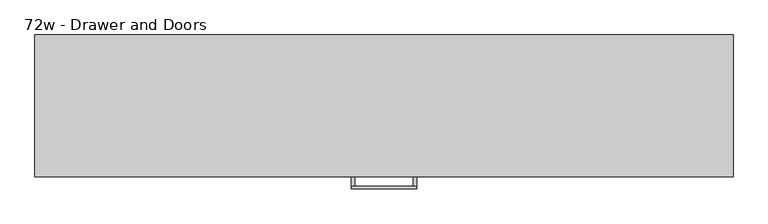
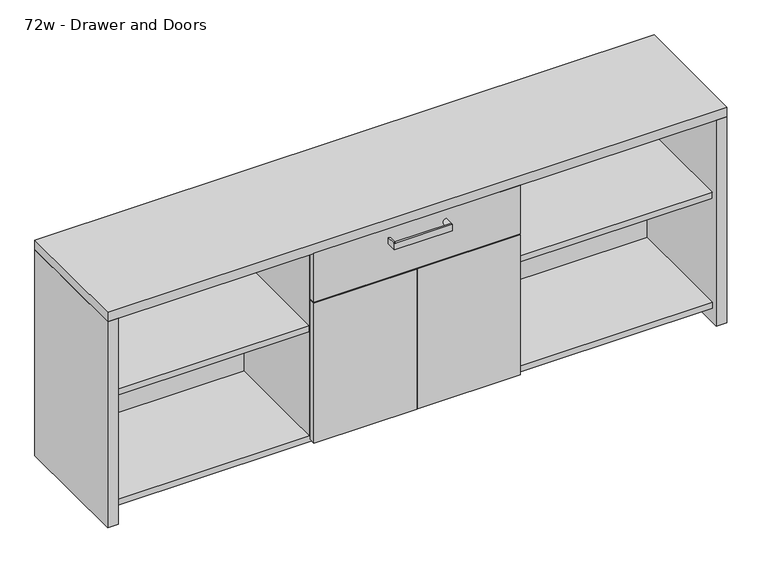
"""IFC4 building model written with IfcOpenShell, lengths in millimetres: furniture geometry, 72w - Drawer and Doors."""

from ifc_helpers import new_model, si_unit, frame, origin, origin_with_axes, place, context, project, spatial, polyline, circle_curve, outline, extrude, source, transform, mapped, element, save
from ifc_brep_helpers import plane_surface, cylinder_surface, advanced_brep


def furniture_72w_drawer_and_doors_4b270cbf(model_context):
    return source(origin(), model_context, "Body", "SolidModel", [
        extrude(outline(polyline([(-744.5375, -371.475), (-744.5375, -352.425), (-441.325, -352.425), (-441.325, -371.475), (-744.5375, -371.475)])), frame((0.0, 0.0, 50.8), z_axis=(0.0, 0.0, 1.0), x_axis=(1.0, 0.0, 0.0)), (0.0, 0.0, 1.0), 436.5625),
        extrude(outline(polyline([(-134.9375, -371.475), (-438.15, -371.475), (-438.15, -352.425), (-134.9375, -352.425), (-134.9375, -371.475)])), frame((0.0, 0.0, 50.8), z_axis=(0.0, 0.0, 1.0), x_axis=(1.0, 0.0, 0.0)), (0.0, 0.0, 1.0), 436.5625),
        advanced_brep(
        [(-354.0125091, -403.2249879, 615.95), (-525.4624909, -403.2249879, 615.95), (-525.4624909, -403.2249879, 596.9), (-354.0125091, -403.2249879, 596.9), (-354.0125091, -396.8750121, 596.9), (-525.4624909, -396.8750121, 596.9), (-525.4624909, -396.8750121, 615.95), (-354.0125091, -396.8750121, 615.95), (-354.0125091, -371.475, 596.9), (-354.0125091, -371.475, 615.95), (-525.4624909, -371.475, 596.9), (-525.4624909, -371.475, 615.95)],
        [
            (0, 1),
            (1, 2),
            (2, 3),
            (3, 0),
            (4, 5),
            (5, 6, circle_curve(frame((-525.4624909, -396.8750121, 606.425), z_axis=(0.0, -1.0, 0.0), x_axis=(1.0, 0.0, 0.0)), 9.525)),
            (6, 7),
            (7, 4, circle_curve(frame((-354.0125091, -396.8750121, 606.425), z_axis=(0.0, -1.0, 0.0), x_axis=(-1.0, 0.0, 0.0)), 9.525)),
            (2, 5),
            (4, 3),
            (8, 9, circle_curve(frame((-354.0125091, -371.475, 606.425), z_axis=(0.0, 1.0, 0.0), x_axis=(-1.0, 0.0, 0.0)), 9.525)),
            (9, 8),
            (8, 4),
            (7, 9),
            (7, 0),
            (10, 11),
            (11, 10, circle_curve(frame((-525.4624909, -371.475, 606.425), z_axis=(0.0, 1.0, 0.0), x_axis=(1.0, 0.0, 0.0)), 9.525)),
            (11, 6),
            (5, 10),
            (1, 6),
        ],
        [
            plane_surface(frame((-525.4624909, -403.2249879, 615.95), z_axis=(0.0, -1.0, 0.0), x_axis=(-1.0, 0.0, 0.0))),
            plane_surface(frame((-525.4624909, -396.8750121, 615.95), z_axis=(0.0, 1.0, 0.0), x_axis=(1.0, 0.0, 0.0))),
            plane_surface(frame((-525.4624909, -403.2249879, 596.9), z_axis=(0.0, 0.0, -1.0), x_axis=(0.0, 1.0, 0.0))),
            plane_surface(frame((-354.0125091, -371.475, 615.95), z_axis=(0.0, 1.0, 0.0), x_axis=(0.0, 0.0, -1.0))),
            cylinder_surface(frame((-354.0125091, -371.475, 606.425), z_axis=(0.0, -1.0, 0.0), x_axis=(-1.0, 0.0, 0.0)), 9.525),
            plane_surface(frame((-354.0125091, -396.8750121, 596.9), z_axis=(1.0, 0.0, 0.0), x_axis=(0.0, 1.0, 0.0))),
            plane_surface(frame((-515.9374909, -371.475, 606.425), z_axis=(0.0, 1.0, 0.0), x_axis=(0.0, 0.0, -1.0))),
            cylinder_surface(frame((-525.4624909, -371.475, 606.425), z_axis=(0.0, -1.0, 0.0), x_axis=(1.0, 0.0, 0.0)), 9.525),
            plane_surface(frame((-525.4624909, -396.8750121, 615.95), z_axis=(-1.0, 0.0, 0.0), x_axis=(0.0, 1.0, 0.0))),
            plane_surface(frame((-354.0125091, -403.2249879, 615.95), z_axis=(0.0, 0.0, 1.0), x_axis=(0.0, 1.0, 0.0))),
        ],
        [
            (0, [[1, 2, 3, 4]]),
            (1, [[5, 6, 7, 8]]),
            (2, [[-3, 9, -5, 10]]),
            (3, [[11, 12]]),
            (4, [[-11, 13, -8, 14]]),
            (5, [[-12, -14, 15, -4, -10, -13]]),
            (6, [[16, 17]]),
            (7, [[-17, 18, -6, 19]]),
            (8, [[-16, -19, -9, -2, 20, -18]]),
            (9, [[-1, -15, -7, -20]]),
        ],
    ),
        extrude(outline(polyline([(-134.9375, -352.425), (-134.9375, -371.475), (-744.5375, -371.475), (-744.5375, -352.425), (-134.9375, -352.425)])), frame((0.0, 0.0, 490.5375), z_axis=(0.0, 0.0, 1.0), x_axis=(1.0, 0.0, 0.0)), (0.0, 0.0, 1.0), 152.4),
        extrude(outline(polyline([(442.9125, -19.05), (442.9125, -350.8375), (-131.7625, -350.8375), (-131.7625, -19.05), (442.9125, -19.05)])), frame((0.0, 0.0, 387.35), z_axis=(0.0, 0.0, 1.0), x_axis=(1.0, 0.0, 0.0)), (0.0, 0.0, 1.0), 19.05),
        extrude(outline(polyline([(-747.7125, -19.05), (-747.7125, -350.8375), (-1322.3875, -350.8375), (-1322.3875, -19.05), (-747.7125, -19.05)])), frame((0.0, 0.0, 387.35), z_axis=(0.0, 0.0, 1.0), x_axis=(1.0, 0.0, 0.0)), (0.0, 0.0, 1.0), 19.05),
        extrude(outline(polyline([(-150.8125, -19.05), (-150.8125, -350.8375), (-728.6625, -350.8375), (-728.6625, -19.05), (-150.8125, -19.05)])), frame((0.0, 0.0, 488.95), z_axis=(0.0, 0.0, 1.0), x_axis=(1.0, 0.0, 0.0)), (0.0, 0.0, 1.0), 19.05),
        extrude(outline(polyline([(-131.7625, -19.05), (-131.7625, -350.8375), (-150.8125, -350.8375), (-150.8125, -19.05), (-131.7625, -19.05)])), frame((0.0, 0.0, 63.5), z_axis=(0.0, 0.0, 1.0), x_axis=(1.0, 0.0, 0.0)), (0.0, 0.0, 1.0), 579.4375),
        extrude(outline(polyline([(-352.425, 44.45), (-352.425, 63.5), (-19.05, 63.5), (-19.05, 44.45), (-20.6375, 44.45), (-20.6375, 61.9125), (-350.8375, 61.9125), (-350.8375, 44.45), (-352.425, 44.45)])), frame((-1322.3875, 0.0, 0.0), z_axis=(1.0, 0.0, 0.0), x_axis=(0.0, 1.0, 0.0)), (0.0, 0.0, 1.0), 1765.3),
        extrude(outline(polyline([(-728.6625, -352.425), (-747.7125, -352.425), (-747.7125, -19.05), (-728.6625, -19.05), (-728.6625, -352.425)])), frame((0.0, 0.0, 63.5), z_axis=(0.0, 0.0, 1.0), x_axis=(1.0, 0.0, 0.0)), (0.0, 0.0, 1.0), 579.4375),
        extrude(outline(polyline([(-1354.1375, 0.0), (-1322.3875, 0.0), (-1322.3875, -371.475), (-1354.1375, -371.475), (-1354.1375, 0.0)])), origin_with_axes(), (0.0, 0.0, 1.0), 642.9375),
        extrude(outline(polyline([(474.6625, -371.475), (442.9125, -371.475), (442.9125, 0.0), (474.6625, 0.0), (474.6625, -371.475)])), origin_with_axes(), (0.0, 0.0, 1.0), 642.9375),
        extrude(outline(polyline([(474.6625, 0.0), (474.6625, -371.475), (-1354.1375, -371.475), (-1354.1375, 0.0), (474.6625, 0.0)])), frame((0.0, 0.0, 642.9375), z_axis=(0.0, 0.0, 1.0), x_axis=(1.0, 0.0, 0.0)), (0.0, 0.0, 1.0), 30.1625),
        extrude(outline(polyline([(442.9125, 0.0), (442.9125, -19.05), (-1322.3875, -19.05), (-1322.3875, 0.0), (442.9125, 0.0)])), frame((0.0, 0.0, 44.45), z_axis=(0.0, 0.0, 1.0), x_axis=(1.0, 0.0, 0.0)), (0.0, 0.0, 1.0), 598.4875),
    ])


if __name__ == "__main__":
    model = new_model("IFC4")
    model_context = context("Model", 3, world=origin())
    ifc_project = project(units=[si_unit("LENGTHUNIT", "METRE", prefix="MILLI")], contexts=[model_context])
    site = spatial("IfcSite", under=ifc_project)
    building = spatial("IfcBuilding", under=site)
    placement = place(None, origin())
    furniture_72w_drawer_and_doors_shape = furniture_72w_drawer_and_doors_4b270cbf(model_context)
    element("IfcFurniture", 1, ObjectType="72w - Drawer and Doors", at=placement, inside=building, context=model_context, shape_type="MappedRepresentation", body=[
        mapped(furniture_72w_drawer_and_doors_shape, transform((0.0, 0.0, 0.0), x_axis=(1.0, 0.0, 0.0), y_axis=(0.0, 1.0, 0.0), z_axis=(0.0, 0.0, 1.0))),
    ])
    save(model, "model.ifc")
